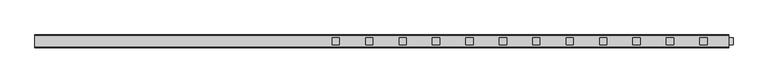
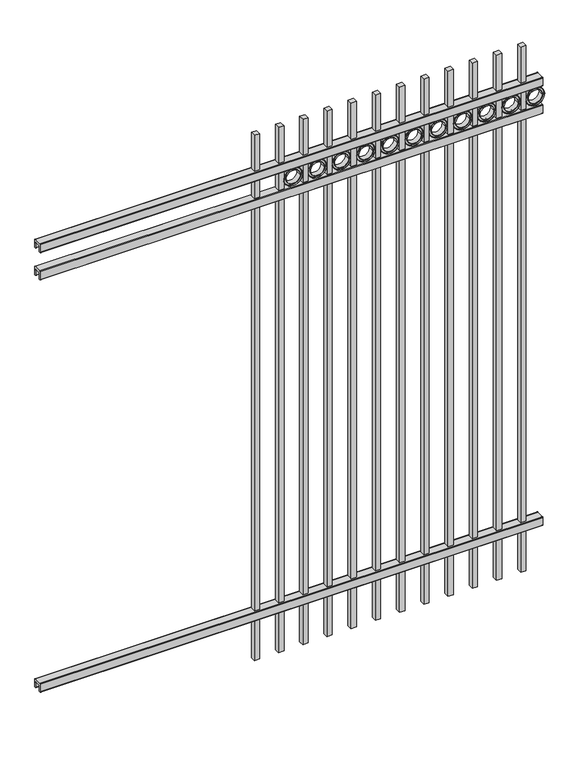
"""IFC4 building model written with IfcOpenShell, lengths in millimetres: railing geometry."""

from ifc_helpers import new_model, si_unit, point, frame, frame_2d, origin, place, context, project, spatial, polyline, circle_curve, trimmed, segment, composite_curve, outline, extrude, source, transform, mapped, element, save


def railing_52d2f34b(model_context):
    return source(origin(), model_context, "Body", "SweptSolid", [
        extrude(outline(composite_curve([segment(polyline([(5777.9139761, 304.8), (5815.969541, 304.8)]), True, "CONTINUOUS"), segment(trimmed(circle_curve(frame_2d((5815.969541, 301.625)), 3.175), [point((5815.969541, 304.8))], [point((5819.144541, 301.625))], False, "CARTESIAN"), True, "CONTINUOUS"), segment(polyline([(5819.144541, 301.625), (5819.144541, 262.1439893)]), True, "CONTINUOUS"), segment(trimmed(circle_curve(frame_2d((5817.3505518, 262.1439893)), 1.7939893), [point((5819.144541, 262.1439893))], [point((5817.3505518, 260.35))], False, "CARTESIAN"), True, "CONTINUOUS"), segment(polyline([(5817.3505518, 260.35), (5814.7590713, 260.35)]), True, "CONTINUOUS"), segment(trimmed(circle_curve(frame_2d((5814.7590713, 262.1359375)), 1.7859375), [point((5814.7590713, 260.35))], [point((5812.9755813, 262.0424688))], False, "CARTESIAN"), True, "CONTINUOUS"), segment(polyline([(5812.9755813, 262.0424688), (5811.4025867, 292.0569942), (5782.4364954, 292.0569942), (5780.8635007, 262.0424688)]), True, "CONTINUOUS"), segment(trimmed(circle_curve(frame_2d((5779.0800108, 262.1359375)), 1.7859375), [point((5780.8635007, 262.0424688))], [point((5779.0800108, 260.35))], False, "CARTESIAN"), True, "CONTINUOUS"), segment(polyline([(5779.0800108, 260.35), (5776.4804785, 260.35)]), True, "CONTINUOUS"), segment(trimmed(circle_curve(frame_2d((5776.4804785, 262.1359375)), 1.7859375), [point((5776.4804785, 260.35))], [point((5774.694541, 262.1359375))], False, "CARTESIAN"), True, "CONTINUOUS"), segment(polyline([(5774.694541, 262.1359375), (5774.694541, 301.5805649)]), True, "CONTINUOUS"), segment(trimmed(circle_curve(frame_2d((5777.9139761, 301.5805649)), 3.2194351), [point((5774.694541, 301.5805649))], [point((5777.9139761, 304.8))], False, "CARTESIAN"), True, "CONTINUOUS")], self_intersect=False)), frame((11485.3350064, 0.0, 0.0), z_axis=(1.0, 0.0, 0.0), x_axis=(0.0, 1.0, 0.0)), (0.0, 0.0, 1.0), 2438.4),
        extrude(outline(composite_curve([segment(polyline([(5777.9139761, 2417.7625), (5815.969541, 2417.7625)]), True, "CONTINUOUS"), segment(trimmed(circle_curve(frame_2d((5815.969541, 2414.5875)), 3.175), [point((5815.969541, 2417.7625))], [point((5819.144541, 2414.5875))], False, "CARTESIAN"), True, "CONTINUOUS"), segment(polyline([(5819.144541, 2414.5875), (5819.144541, 2375.1064893)]), True, "CONTINUOUS"), segment(trimmed(circle_curve(frame_2d((5817.3505518, 2375.1064893)), 1.7939893), [point((5819.144541, 2375.1064893))], [point((5817.3505518, 2373.3125))], False, "CARTESIAN"), True, "CONTINUOUS"), segment(polyline([(5817.3505518, 2373.3125), (5814.7590713, 2373.3125)]), True, "CONTINUOUS"), segment(trimmed(circle_curve(frame_2d((5814.7590713, 2375.0984375)), 1.7859375), [point((5814.7590713, 2373.3125))], [point((5812.9755813, 2375.0049688))], False, "CARTESIAN"), True, "CONTINUOUS"), segment(polyline([(5812.9755813, 2375.0049688), (5811.4025867, 2405.0194942), (5782.4364954, 2405.0194942), (5780.8635007, 2375.0049688)]), True, "CONTINUOUS"), segment(trimmed(circle_curve(frame_2d((5779.0800108, 2375.0984375)), 1.7859375), [point((5780.8635007, 2375.0049688))], [point((5779.0800108, 2373.3125))], False, "CARTESIAN"), True, "CONTINUOUS"), segment(polyline([(5779.0800108, 2373.3125), (5776.4804785, 2373.3125)]), True, "CONTINUOUS"), segment(trimmed(circle_curve(frame_2d((5776.4804785, 2375.0984375)), 1.7859375), [point((5776.4804785, 2373.3125))], [point((5774.694541, 2375.0984375))], False, "CARTESIAN"), True, "CONTINUOUS"), segment(polyline([(5774.694541, 2375.0984375), (5774.694541, 2414.5430649)]), True, "CONTINUOUS"), segment(trimmed(circle_curve(frame_2d((5777.9139761, 2414.5430649)), 3.2194351), [point((5774.694541, 2414.5430649))], [point((5777.9139761, 2417.7625))], False, "CARTESIAN"), True, "CONTINUOUS")], self_intersect=False)), frame((11485.3350064, 0.0, 0.0), z_axis=(1.0, 0.0, 0.0), x_axis=(0.0, 1.0, 0.0)), (0.0, 0.0, 1.0), 2438.4),
        extrude(outline(composite_curve([segment(polyline([(5777.9139761, 2557.4625), (5815.969541, 2557.4625)]), True, "CONTINUOUS"), segment(trimmed(circle_curve(frame_2d((5815.969541, 2554.2875)), 3.175), [point((5815.969541, 2557.4625))], [point((5819.144541, 2554.2875))], False, "CARTESIAN"), True, "CONTINUOUS"), segment(polyline([(5819.144541, 2554.2875), (5819.144541, 2514.8064893)]), True, "CONTINUOUS"), segment(trimmed(circle_curve(frame_2d((5817.3505518, 2514.8064893)), 1.7939893), [point((5819.144541, 2514.8064893))], [point((5817.3505518, 2513.0125))], False, "CARTESIAN"), True, "CONTINUOUS"), segment(polyline([(5817.3505518, 2513.0125), (5814.7590713, 2513.0125)]), True, "CONTINUOUS"), segment(trimmed(circle_curve(frame_2d((5814.7590713, 2514.7984375)), 1.7859375), [point((5814.7590713, 2513.0125))], [point((5812.9755813, 2514.7049688))], False, "CARTESIAN"), True, "CONTINUOUS"), segment(polyline([(5812.9755813, 2514.7049688), (5811.4025867, 2544.7194942), (5782.4364954, 2544.7194942), (5780.8635007, 2514.7049688)]), True, "CONTINUOUS"), segment(trimmed(circle_curve(frame_2d((5779.0800108, 2514.7984375)), 1.7859375), [point((5780.8635007, 2514.7049688))], [point((5779.0800108, 2513.0125))], False, "CARTESIAN"), True, "CONTINUOUS"), segment(polyline([(5779.0800108, 2513.0125), (5776.4804785, 2513.0125)]), True, "CONTINUOUS"), segment(trimmed(circle_curve(frame_2d((5776.4804785, 2514.7984375)), 1.7859375), [point((5776.4804785, 2513.0125))], [point((5774.694541, 2514.7984375))], False, "CARTESIAN"), True, "CONTINUOUS"), segment(polyline([(5774.694541, 2514.7984375), (5774.694541, 2554.2430649)]), True, "CONTINUOUS"), segment(trimmed(circle_curve(frame_2d((5777.9139761, 2554.2430649)), 3.2194351), [point((5774.694541, 2554.2430649))], [point((5777.9139761, 2557.4625))], False, "CARTESIAN"), True, "CONTINUOUS")], self_intersect=False)), frame((11485.3350064, 0.0, 0.0), z_axis=(1.0, 0.0, 0.0), x_axis=(0.0, 1.0, 0.0)), (0.0, 0.0, 1.0), 2438.4),
        extrude(outline(polyline([(13822.1350064, 5809.619541), (13847.5350064, 5809.619541), (13847.5350064, 5784.219541), (13822.1350064, 5784.219541), (13822.1350064, 5809.619541)])), frame((0.0, 0.0, 50.8), z_axis=(0.0, 0.0, 1.0), x_axis=(1.0, 0.0, 0.0)), (0.0, 0.0, 1.0), 2692.4),
        extrude(outline(composite_curve([segment(trimmed(circle_curve(frame_2d((2464.6040076, 13893.2338655)), 45.6988591), [point((2464.6040076, 13938.9327246))], [point((2464.6040076, 13847.5350064))], False, "CARTESIAN"), True, "CONTINUOUS"), segment(trimmed(circle_curve(frame_2d((2464.6040076, 13893.2338655)), 45.6988591), [point((2464.6040076, 13847.5350064))], [point((2464.6040076, 13938.9327246))], False, "CARTESIAN"), True, "CONTINUOUS")], self_intersect=False), holes=[composite_curve([segment(trimmed(circle_curve(frame_2d((2464.6040076, 13893.2338655)), 44.101539), [point((2464.6040076, 13937.3354045))], [point((2464.6040076, 13849.1323265))], True, "CARTESIAN"), True, "CONTINUOUS"), segment(trimmed(circle_curve(frame_2d((2464.6040076, 13893.2338655)), 44.101539), [point((2464.6040076, 13849.1323265))], [point((2464.6040076, 13937.3354045))], True, "CARTESIAN"), True, "CONTINUOUS")], self_intersect=False)]), frame((0.0, 5784.219541, 0.0), z_axis=(0.0, 1.0, 0.0), x_axis=(0.0, 0.0, 1.0)), (0.0, 0.0, 1.0), 25.4),
        extrude(outline(composite_curve([segment(trimmed(circle_curve(frame_2d((2464.6040076, 13893.2338655)), 34.6370762), [point((2464.6040076, 13927.8709417))], [point((2464.6040076, 13858.5967893))], False, "CARTESIAN"), True, "CONTINUOUS"), segment(trimmed(circle_curve(frame_2d((2464.6040076, 13893.2338655)), 34.6370762), [point((2464.6040076, 13858.5967893))], [point((2464.6040076, 13927.8709417))], False, "CARTESIAN"), True, "CONTINUOUS")], self_intersect=False), holes=[composite_curve([segment(trimmed(circle_curve(frame_2d((2464.6040076, 13893.2338655)), 33.0443887), [point((2464.6040076, 13926.2782542))], [point((2464.6040076, 13860.1894768))], True, "CARTESIAN"), True, "CONTINUOUS"), segment(trimmed(circle_curve(frame_2d((2464.6040076, 13893.2338655)), 33.0443887), [point((2464.6040076, 13860.1894768))], [point((2464.6040076, 13926.2782542))], True, "CARTESIAN"), True, "CONTINUOUS")], self_intersect=False)]), frame((0.0, 5784.219541, 0.0), z_axis=(0.0, 1.0, 0.0), x_axis=(0.0, 0.0, 1.0)), (0.0, 0.0, 1.0), 25.4),
        extrude(outline(composite_curve([segment(trimmed(circle_curve(frame_2d((2464.6040076, 13893.2338655)), 45.6988591), [point((2464.6040076, 13938.9327246))], [point((2464.6040076, 13847.5350064))], False, "CARTESIAN"), True, "CONTINUOUS"), segment(trimmed(circle_curve(frame_2d((2464.6040076, 13893.2338655)), 45.6988591), [point((2464.6040076, 13847.5350064))], [point((2464.6040076, 13938.9327246))], False, "CARTESIAN"), True, "CONTINUOUS")], self_intersect=False), holes=[composite_curve([segment(trimmed(circle_curve(frame_2d((2464.6040076, 13893.2338655)), 33.0443887), [point((2464.6040076, 13926.2782542))], [point((2464.6040076, 13860.1894768))], True, "CARTESIAN"), True, "CONTINUOUS"), segment(trimmed(circle_curve(frame_2d((2464.6040076, 13893.2338655)), 33.0443887), [point((2464.6040076, 13860.1894768))], [point((2464.6040076, 13926.2782542))], True, "CARTESIAN"), True, "CONTINUOUS")], self_intersect=False)]), frame((0.0, 5790.569541, 0.0), z_axis=(0.0, 1.0, 0.0), x_axis=(0.0, 0.0, 1.0)), (0.0, 0.0, 1.0), 12.7),
        extrude(outline(polyline([(13704.6600064, 5809.619541), (13730.0600064, 5809.619541), (13730.0600064, 5784.219541), (13704.6600064, 5784.219541), (13704.6600064, 5809.619541)])), frame((0.0, 0.0, 50.8), z_axis=(0.0, 0.0, 1.0), x_axis=(1.0, 0.0, 0.0)), (0.0, 0.0, 1.0), 2692.4),
        extrude(outline(composite_curve([segment(trimmed(circle_curve(frame_2d((2464.6040076, 13775.7588655)), 45.6988591), [point((2464.6040076, 13821.4577246))], [point((2464.6040076, 13730.0600064))], False, "CARTESIAN"), True, "CONTINUOUS"), segment(trimmed(circle_curve(frame_2d((2464.6040076, 13775.7588655)), 45.6988591), [point((2464.6040076, 13730.0600064))], [point((2464.6040076, 13821.4577246))], False, "CARTESIAN"), True, "CONTINUOUS")], self_intersect=False), holes=[composite_curve([segment(trimmed(circle_curve(frame_2d((2464.6040076, 13775.7588655)), 44.101539), [point((2464.6040076, 13819.8604045))], [point((2464.6040076, 13731.6573265))], True, "CARTESIAN"), True, "CONTINUOUS"), segment(trimmed(circle_curve(frame_2d((2464.6040076, 13775.7588655)), 44.101539), [point((2464.6040076, 13731.6573265))], [point((2464.6040076, 13819.8604045))], True, "CARTESIAN"), True, "CONTINUOUS")], self_intersect=False)]), frame((0.0, 5784.219541, 0.0), z_axis=(0.0, 1.0, 0.0), x_axis=(0.0, 0.0, 1.0)), (0.0, 0.0, 1.0), 25.4),
        extrude(outline(composite_curve([segment(trimmed(circle_curve(frame_2d((2464.6040076, 13775.7588655)), 34.6370762), [point((2464.6040076, 13810.3959417))], [point((2464.6040076, 13741.1217893))], False, "CARTESIAN"), True, "CONTINUOUS"), segment(trimmed(circle_curve(frame_2d((2464.6040076, 13775.7588655)), 34.6370762), [point((2464.6040076, 13741.1217893))], [point((2464.6040076, 13810.3959417))], False, "CARTESIAN"), True, "CONTINUOUS")], self_intersect=False), holes=[composite_curve([segment(trimmed(circle_curve(frame_2d((2464.6040076, 13775.7588655)), 33.0443887), [point((2464.6040076, 13808.8032542))], [point((2464.6040076, 13742.7144768))], True, "CARTESIAN"), True, "CONTINUOUS"), segment(trimmed(circle_curve(frame_2d((2464.6040076, 13775.7588655)), 33.0443887), [point((2464.6040076, 13742.7144768))], [point((2464.6040076, 13808.8032542))], True, "CARTESIAN"), True, "CONTINUOUS")], self_intersect=False)]), frame((0.0, 5784.219541, 0.0), z_axis=(0.0, 1.0, 0.0), x_axis=(0.0, 0.0, 1.0)), (0.0, 0.0, 1.0), 25.4),
        extrude(outline(composite_curve([segment(trimmed(circle_curve(frame_2d((2464.6040076, 13775.7588655)), 45.6988591), [point((2464.6040076, 13821.4577246))], [point((2464.6040076, 13730.0600064))], False, "CARTESIAN"), True, "CONTINUOUS"), segment(trimmed(circle_curve(frame_2d((2464.6040076, 13775.7588655)), 45.6988591), [point((2464.6040076, 13730.0600064))], [point((2464.6040076, 13821.4577246))], False, "CARTESIAN"), True, "CONTINUOUS")], self_intersect=False), holes=[composite_curve([segment(trimmed(circle_curve(frame_2d((2464.6040076, 13775.7588655)), 33.0443887), [point((2464.6040076, 13808.8032542))], [point((2464.6040076, 13742.7144768))], True, "CARTESIAN"), True, "CONTINUOUS"), segment(trimmed(circle_curve(frame_2d((2464.6040076, 13775.7588655)), 33.0443887), [point((2464.6040076, 13742.7144768))], [point((2464.6040076, 13808.8032542))], True, "CARTESIAN"), True, "CONTINUOUS")], self_intersect=False)]), frame((0.0, 5790.569541, 0.0), z_axis=(0.0, 1.0, 0.0), x_axis=(0.0, 0.0, 1.0)), (0.0, 0.0, 1.0), 12.7),
        extrude(outline(polyline([(13587.1850064, 5809.619541), (13612.5850064, 5809.619541), (13612.5850064, 5784.219541), (13587.1850064, 5784.219541), (13587.1850064, 5809.619541)])), frame((0.0, 0.0, 50.8), z_axis=(0.0, 0.0, 1.0), x_axis=(1.0, 0.0, 0.0)), (0.0, 0.0, 1.0), 2692.4),
        extrude(outline(composite_curve([segment(trimmed(circle_curve(frame_2d((2464.6040076, 13658.2838655)), 45.6988591), [point((2464.6040076, 13703.9827246))], [point((2464.6040076, 13612.5850064))], False, "CARTESIAN"), True, "CONTINUOUS"), segment(trimmed(circle_curve(frame_2d((2464.6040076, 13658.2838655)), 45.6988591), [point((2464.6040076, 13612.5850064))], [point((2464.6040076, 13703.9827246))], False, "CARTESIAN"), True, "CONTINUOUS")], self_intersect=False), holes=[composite_curve([segment(trimmed(circle_curve(frame_2d((2464.6040076, 13658.2838655)), 44.101539), [point((2464.6040076, 13702.3854045))], [point((2464.6040076, 13614.1823265))], True, "CARTESIAN"), True, "CONTINUOUS"), segment(trimmed(circle_curve(frame_2d((2464.6040076, 13658.2838655)), 44.101539), [point((2464.6040076, 13614.1823265))], [point((2464.6040076, 13702.3854045))], True, "CARTESIAN"), True, "CONTINUOUS")], self_intersect=False)]), frame((0.0, 5784.219541, 0.0), z_axis=(0.0, 1.0, 0.0), x_axis=(0.0, 0.0, 1.0)), (0.0, 0.0, 1.0), 25.4),
        extrude(outline(composite_curve([segment(trimmed(circle_curve(frame_2d((2464.6040076, 13658.2838655)), 34.6370762), [point((2464.6040076, 13692.9209417))], [point((2464.6040076, 13623.6467893))], False, "CARTESIAN"), True, "CONTINUOUS"), segment(trimmed(circle_curve(frame_2d((2464.6040076, 13658.2838655)), 34.6370762), [point((2464.6040076, 13623.6467893))], [point((2464.6040076, 13692.9209417))], False, "CARTESIAN"), True, "CONTINUOUS")], self_intersect=False), holes=[composite_curve([segment(trimmed(circle_curve(frame_2d((2464.6040076, 13658.2838655)), 33.0443887), [point((2464.6040076, 13691.3282542))], [point((2464.6040076, 13625.2394768))], True, "CARTESIAN"), True, "CONTINUOUS"), segment(trimmed(circle_curve(frame_2d((2464.6040076, 13658.2838655)), 33.0443887), [point((2464.6040076, 13625.2394768))], [point((2464.6040076, 13691.3282542))], True, "CARTESIAN"), True, "CONTINUOUS")], self_intersect=False)]), frame((0.0, 5784.219541, 0.0), z_axis=(0.0, 1.0, 0.0), x_axis=(0.0, 0.0, 1.0)), (0.0, 0.0, 1.0), 25.4),
        extrude(outline(composite_curve([segment(trimmed(circle_curve(frame_2d((2464.6040076, 13658.2838655)), 45.6988591), [point((2464.6040076, 13703.9827246))], [point((2464.6040076, 13612.5850064))], False, "CARTESIAN"), True, "CONTINUOUS"), segment(trimmed(circle_curve(frame_2d((2464.6040076, 13658.2838655)), 45.6988591), [point((2464.6040076, 13612.5850064))], [point((2464.6040076, 13703.9827246))], False, "CARTESIAN"), True, "CONTINUOUS")], self_intersect=False), holes=[composite_curve([segment(trimmed(circle_curve(frame_2d((2464.6040076, 13658.2838655)), 33.0443887), [point((2464.6040076, 13691.3282542))], [point((2464.6040076, 13625.2394768))], True, "CARTESIAN"), True, "CONTINUOUS"), segment(trimmed(circle_curve(frame_2d((2464.6040076, 13658.2838655)), 33.0443887), [point((2464.6040076, 13625.2394768))], [point((2464.6040076, 13691.3282542))], True, "CARTESIAN"), True, "CONTINUOUS")], self_intersect=False)]), frame((0.0, 5790.569541, 0.0), z_axis=(0.0, 1.0, 0.0), x_axis=(0.0, 0.0, 1.0)), (0.0, 0.0, 1.0), 12.7),
        extrude(outline(polyline([(13469.7100064, 5809.619541), (13495.1100064, 5809.619541), (13495.1100064, 5784.219541), (13469.7100064, 5784.219541), (13469.7100064, 5809.619541)])), frame((0.0, 0.0, 50.8), z_axis=(0.0, 0.0, 1.0), x_axis=(1.0, 0.0, 0.0)), (0.0, 0.0, 1.0), 2692.4),
        extrude(outline(composite_curve([segment(trimmed(circle_curve(frame_2d((2464.6040076, 13540.8088655)), 45.6988591), [point((2464.6040076, 13586.5077246))], [point((2464.6040076, 13495.1100064))], False, "CARTESIAN"), True, "CONTINUOUS"), segment(trimmed(circle_curve(frame_2d((2464.6040076, 13540.8088655)), 45.6988591), [point((2464.6040076, 13495.1100064))], [point((2464.6040076, 13586.5077246))], False, "CARTESIAN"), True, "CONTINUOUS")], self_intersect=False), holes=[composite_curve([segment(trimmed(circle_curve(frame_2d((2464.6040076, 13540.8088655)), 44.101539), [point((2464.6040076, 13584.9104045))], [point((2464.6040076, 13496.7073265))], True, "CARTESIAN"), True, "CONTINUOUS"), segment(trimmed(circle_curve(frame_2d((2464.6040076, 13540.8088655)), 44.101539), [point((2464.6040076, 13496.7073265))], [point((2464.6040076, 13584.9104045))], True, "CARTESIAN"), True, "CONTINUOUS")], self_intersect=False)]), frame((0.0, 5784.219541, 0.0), z_axis=(0.0, 1.0, 0.0), x_axis=(0.0, 0.0, 1.0)), (0.0, 0.0, 1.0), 25.4),
        extrude(outline(composite_curve([segment(trimmed(circle_curve(frame_2d((2464.6040076, 13540.8088655)), 34.6370762), [point((2464.6040076, 13575.4459417))], [point((2464.6040076, 13506.1717893))], False, "CARTESIAN"), True, "CONTINUOUS"), segment(trimmed(circle_curve(frame_2d((2464.6040076, 13540.8088655)), 34.6370762), [point((2464.6040076, 13506.1717893))], [point((2464.6040076, 13575.4459417))], False, "CARTESIAN"), True, "CONTINUOUS")], self_intersect=False), holes=[composite_curve([segment(trimmed(circle_curve(frame_2d((2464.6040076, 13540.8088655)), 33.0443887), [point((2464.6040076, 13573.8532542))], [point((2464.6040076, 13507.7644768))], True, "CARTESIAN"), True, "CONTINUOUS"), segment(trimmed(circle_curve(frame_2d((2464.6040076, 13540.8088655)), 33.0443887), [point((2464.6040076, 13507.7644768))], [point((2464.6040076, 13573.8532542))], True, "CARTESIAN"), True, "CONTINUOUS")], self_intersect=False)]), frame((0.0, 5784.219541, 0.0), z_axis=(0.0, 1.0, 0.0), x_axis=(0.0, 0.0, 1.0)), (0.0, 0.0, 1.0), 25.4),
        extrude(outline(composite_curve([segment(trimmed(circle_curve(frame_2d((2464.6040076, 13540.8088655)), 45.6988591), [point((2464.6040076, 13586.5077246))], [point((2464.6040076, 13495.1100064))], False, "CARTESIAN"), True, "CONTINUOUS"), segment(trimmed(circle_curve(frame_2d((2464.6040076, 13540.8088655)), 45.6988591), [point((2464.6040076, 13495.1100064))], [point((2464.6040076, 13586.5077246))], False, "CARTESIAN"), True, "CONTINUOUS")], self_intersect=False), holes=[composite_curve([segment(trimmed(circle_curve(frame_2d((2464.6040076, 13540.8088655)), 33.0443887), [point((2464.6040076, 13573.8532542))], [point((2464.6040076, 13507.7644768))], True, "CARTESIAN"), True, "CONTINUOUS"), segment(trimmed(circle_curve(frame_2d((2464.6040076, 13540.8088655)), 33.0443887), [point((2464.6040076, 13507.7644768))], [point((2464.6040076, 13573.8532542))], True, "CARTESIAN"), True, "CONTINUOUS")], self_intersect=False)]), frame((0.0, 5790.569541, 0.0), z_axis=(0.0, 1.0, 0.0), x_axis=(0.0, 0.0, 1.0)), (0.0, 0.0, 1.0), 12.7),
        extrude(outline(polyline([(13352.2350064, 5809.619541), (13377.6350064, 5809.619541), (13377.6350064, 5784.219541), (13352.2350064, 5784.219541), (13352.2350064, 5809.619541)])), frame((0.0, 0.0, 50.8), z_axis=(0.0, 0.0, 1.0), x_axis=(1.0, 0.0, 0.0)), (0.0, 0.0, 1.0), 2692.4),
        extrude(outline(composite_curve([segment(trimmed(circle_curve(frame_2d((2464.6040076, 13423.3338655)), 45.6988591), [point((2464.6040076, 13469.0327246))], [point((2464.6040076, 13377.6350064))], False, "CARTESIAN"), True, "CONTINUOUS"), segment(trimmed(circle_curve(frame_2d((2464.6040076, 13423.3338655)), 45.6988591), [point((2464.6040076, 13377.6350064))], [point((2464.6040076, 13469.0327246))], False, "CARTESIAN"), True, "CONTINUOUS")], self_intersect=False), holes=[composite_curve([segment(trimmed(circle_curve(frame_2d((2464.6040076, 13423.3338655)), 44.101539), [point((2464.6040076, 13467.4354045))], [point((2464.6040076, 13379.2323265))], True, "CARTESIAN"), True, "CONTINUOUS"), segment(trimmed(circle_curve(frame_2d((2464.6040076, 13423.3338655)), 44.101539), [point((2464.6040076, 13379.2323265))], [point((2464.6040076, 13467.4354045))], True, "CARTESIAN"), True, "CONTINUOUS")], self_intersect=False)]), frame((0.0, 5784.219541, 0.0), z_axis=(0.0, 1.0, 0.0), x_axis=(0.0, 0.0, 1.0)), (0.0, 0.0, 1.0), 25.4),
        extrude(outline(composite_curve([segment(trimmed(circle_curve(frame_2d((2464.6040076, 13423.3338655)), 34.6370762), [point((2464.6040076, 13457.9709417))], [point((2464.6040076, 13388.6967893))], False, "CARTESIAN"), True, "CONTINUOUS"), segment(trimmed(circle_curve(frame_2d((2464.6040076, 13423.3338655)), 34.6370762), [point((2464.6040076, 13388.6967893))], [point((2464.6040076, 13457.9709417))], False, "CARTESIAN"), True, "CONTINUOUS")], self_intersect=False), holes=[composite_curve([segment(trimmed(circle_curve(frame_2d((2464.6040076, 13423.3338655)), 33.0443887), [point((2464.6040076, 13456.3782542))], [point((2464.6040076, 13390.2894768))], True, "CARTESIAN"), True, "CONTINUOUS"), segment(trimmed(circle_curve(frame_2d((2464.6040076, 13423.3338655)), 33.0443887), [point((2464.6040076, 13390.2894768))], [point((2464.6040076, 13456.3782542))], True, "CARTESIAN"), True, "CONTINUOUS")], self_intersect=False)]), frame((0.0, 5784.219541, 0.0), z_axis=(0.0, 1.0, 0.0), x_axis=(0.0, 0.0, 1.0)), (0.0, 0.0, 1.0), 25.4),
        extrude(outline(composite_curve([segment(trimmed(circle_curve(frame_2d((2464.6040076, 13423.3338655)), 45.6988591), [point((2464.6040076, 13469.0327246))], [point((2464.6040076, 13377.6350064))], False, "CARTESIAN"), True, "CONTINUOUS"), segment(trimmed(circle_curve(frame_2d((2464.6040076, 13423.3338655)), 45.6988591), [point((2464.6040076, 13377.6350064))], [point((2464.6040076, 13469.0327246))], False, "CARTESIAN"), True, "CONTINUOUS")], self_intersect=False), holes=[composite_curve([segment(trimmed(circle_curve(frame_2d((2464.6040076, 13423.3338655)), 33.0443887), [point((2464.6040076, 13456.3782542))], [point((2464.6040076, 13390.2894768))], True, "CARTESIAN"), True, "CONTINUOUS"), segment(trimmed(circle_curve(frame_2d((2464.6040076, 13423.3338655)), 33.0443887), [point((2464.6040076, 13390.2894768))], [point((2464.6040076, 13456.3782542))], True, "CARTESIAN"), True, "CONTINUOUS")], self_intersect=False)]), frame((0.0, 5790.569541, 0.0), z_axis=(0.0, 1.0, 0.0), x_axis=(0.0, 0.0, 1.0)), (0.0, 0.0, 1.0), 12.7),
        extrude(outline(polyline([(13234.7600064, 5809.619541), (13260.1600064, 5809.619541), (13260.1600064, 5784.219541), (13234.7600064, 5784.219541), (13234.7600064, 5809.619541)])), frame((0.0, 0.0, 50.8), z_axis=(0.0, 0.0, 1.0), x_axis=(1.0, 0.0, 0.0)), (0.0, 0.0, 1.0), 2692.4),
        extrude(outline(composite_curve([segment(trimmed(circle_curve(frame_2d((2464.6040076, 13305.8588655)), 45.6988591), [point((2464.6040076, 13351.5577246))], [point((2464.6040076, 13260.1600064))], False, "CARTESIAN"), True, "CONTINUOUS"), segment(trimmed(circle_curve(frame_2d((2464.6040076, 13305.8588655)), 45.6988591), [point((2464.6040076, 13260.1600064))], [point((2464.6040076, 13351.5577246))], False, "CARTESIAN"), True, "CONTINUOUS")], self_intersect=False), holes=[composite_curve([segment(trimmed(circle_curve(frame_2d((2464.6040076, 13305.8588655)), 44.101539), [point((2464.6040076, 13349.9604045))], [point((2464.6040076, 13261.7573265))], True, "CARTESIAN"), True, "CONTINUOUS"), segment(trimmed(circle_curve(frame_2d((2464.6040076, 13305.8588655)), 44.101539), [point((2464.6040076, 13261.7573265))], [point((2464.6040076, 13349.9604045))], True, "CARTESIAN"), True, "CONTINUOUS")], self_intersect=False)]), frame((0.0, 5784.219541, 0.0), z_axis=(0.0, 1.0, 0.0), x_axis=(0.0, 0.0, 1.0)), (0.0, 0.0, 1.0), 25.4),
        extrude(outline(composite_curve([segment(trimmed(circle_curve(frame_2d((2464.6040076, 13305.8588655)), 34.6370762), [point((2464.6040076, 13340.4959417))], [point((2464.6040076, 13271.2217893))], False, "CARTESIAN"), True, "CONTINUOUS"), segment(trimmed(circle_curve(frame_2d((2464.6040076, 13305.8588655)), 34.6370762), [point((2464.6040076, 13271.2217893))], [point((2464.6040076, 13340.4959417))], False, "CARTESIAN"), True, "CONTINUOUS")], self_intersect=False), holes=[composite_curve([segment(trimmed(circle_curve(frame_2d((2464.6040076, 13305.8588655)), 33.0443887), [point((2464.6040076, 13338.9032542))], [point((2464.6040076, 13272.8144768))], True, "CARTESIAN"), True, "CONTINUOUS"), segment(trimmed(circle_curve(frame_2d((2464.6040076, 13305.8588655)), 33.0443887), [point((2464.6040076, 13272.8144768))], [point((2464.6040076, 13338.9032542))], True, "CARTESIAN"), True, "CONTINUOUS")], self_intersect=False)]), frame((0.0, 5784.219541, 0.0), z_axis=(0.0, 1.0, 0.0), x_axis=(0.0, 0.0, 1.0)), (0.0, 0.0, 1.0), 25.4),
        extrude(outline(composite_curve([segment(trimmed(circle_curve(frame_2d((2464.6040076, 13305.8588655)), 45.6988591), [point((2464.6040076, 13351.5577246))], [point((2464.6040076, 13260.1600064))], False, "CARTESIAN"), True, "CONTINUOUS"), segment(trimmed(circle_curve(frame_2d((2464.6040076, 13305.8588655)), 45.6988591), [point((2464.6040076, 13260.1600064))], [point((2464.6040076, 13351.5577246))], False, "CARTESIAN"), True, "CONTINUOUS")], self_intersect=False), holes=[composite_curve([segment(trimmed(circle_curve(frame_2d((2464.6040076, 13305.8588655)), 33.0443887), [point((2464.6040076, 13338.9032542))], [point((2464.6040076, 13272.8144768))], True, "CARTESIAN"), True, "CONTINUOUS"), segment(trimmed(circle_curve(frame_2d((2464.6040076, 13305.8588655)), 33.0443887), [point((2464.6040076, 13272.8144768))], [point((2464.6040076, 13338.9032542))], True, "CARTESIAN"), True, "CONTINUOUS")], self_intersect=False)]), frame((0.0, 5790.569541, 0.0), z_axis=(0.0, 1.0, 0.0), x_axis=(0.0, 0.0, 1.0)), (0.0, 0.0, 1.0), 12.7),
        extrude(outline(polyline([(13117.2850064, 5809.619541), (13142.6850064, 5809.619541), (13142.6850064, 5784.219541), (13117.2850064, 5784.219541), (13117.2850064, 5809.619541)])), frame((0.0, 0.0, 50.8), z_axis=(0.0, 0.0, 1.0), x_axis=(1.0, 0.0, 0.0)), (0.0, 0.0, 1.0), 2692.4),
        extrude(outline(composite_curve([segment(trimmed(circle_curve(frame_2d((2464.6040076, 13188.3838655)), 45.6988591), [point((2464.6040076, 13234.0827246))], [point((2464.6040076, 13142.6850064))], False, "CARTESIAN"), True, "CONTINUOUS"), segment(trimmed(circle_curve(frame_2d((2464.6040076, 13188.3838655)), 45.6988591), [point((2464.6040076, 13142.6850064))], [point((2464.6040076, 13234.0827246))], False, "CARTESIAN"), True, "CONTINUOUS")], self_intersect=False), holes=[composite_curve([segment(trimmed(circle_curve(frame_2d((2464.6040076, 13188.3838655)), 44.101539), [point((2464.6040076, 13232.4854045))], [point((2464.6040076, 13144.2823265))], True, "CARTESIAN"), True, "CONTINUOUS"), segment(trimmed(circle_curve(frame_2d((2464.6040076, 13188.3838655)), 44.101539), [point((2464.6040076, 13144.2823265))], [point((2464.6040076, 13232.4854045))], True, "CARTESIAN"), True, "CONTINUOUS")], self_intersect=False)]), frame((0.0, 5784.219541, 0.0), z_axis=(0.0, 1.0, 0.0), x_axis=(0.0, 0.0, 1.0)), (0.0, 0.0, 1.0), 25.4),
        extrude(outline(composite_curve([segment(trimmed(circle_curve(frame_2d((2464.6040076, 13188.3838655)), 34.6370762), [point((2464.6040076, 13223.0209417))], [point((2464.6040076, 13153.7467893))], False, "CARTESIAN"), True, "CONTINUOUS"), segment(trimmed(circle_curve(frame_2d((2464.6040076, 13188.3838655)), 34.6370762), [point((2464.6040076, 13153.7467893))], [point((2464.6040076, 13223.0209417))], False, "CARTESIAN"), True, "CONTINUOUS")], self_intersect=False), holes=[composite_curve([segment(trimmed(circle_curve(frame_2d((2464.6040076, 13188.3838655)), 33.0443887), [point((2464.6040076, 13221.4282542))], [point((2464.6040076, 13155.3394768))], True, "CARTESIAN"), True, "CONTINUOUS"), segment(trimmed(circle_curve(frame_2d((2464.6040076, 13188.3838655)), 33.0443887), [point((2464.6040076, 13155.3394768))], [point((2464.6040076, 13221.4282542))], True, "CARTESIAN"), True, "CONTINUOUS")], self_intersect=False)]), frame((0.0, 5784.219541, 0.0), z_axis=(0.0, 1.0, 0.0), x_axis=(0.0, 0.0, 1.0)), (0.0, 0.0, 1.0), 25.4),
        extrude(outline(composite_curve([segment(trimmed(circle_curve(frame_2d((2464.6040076, 13188.3838655)), 45.6988591), [point((2464.6040076, 13234.0827246))], [point((2464.6040076, 13142.6850064))], False, "CARTESIAN"), True, "CONTINUOUS"), segment(trimmed(circle_curve(frame_2d((2464.6040076, 13188.3838655)), 45.6988591), [point((2464.6040076, 13142.6850064))], [point((2464.6040076, 13234.0827246))], False, "CARTESIAN"), True, "CONTINUOUS")], self_intersect=False), holes=[composite_curve([segment(trimmed(circle_curve(frame_2d((2464.6040076, 13188.3838655)), 33.0443887), [point((2464.6040076, 13221.4282542))], [point((2464.6040076, 13155.3394768))], True, "CARTESIAN"), True, "CONTINUOUS"), segment(trimmed(circle_curve(frame_2d((2464.6040076, 13188.3838655)), 33.0443887), [point((2464.6040076, 13155.3394768))], [point((2464.6040076, 13221.4282542))], True, "CARTESIAN"), True, "CONTINUOUS")], self_intersect=False)]), frame((0.0, 5790.569541, 0.0), z_axis=(0.0, 1.0, 0.0), x_axis=(0.0, 0.0, 1.0)), (0.0, 0.0, 1.0), 12.7),
        extrude(outline(polyline([(12999.8100064, 5809.619541), (13025.2100064, 5809.619541), (13025.2100064, 5784.219541), (12999.8100064, 5784.219541), (12999.8100064, 5809.619541)])), frame((0.0, 0.0, 50.8), z_axis=(0.0, 0.0, 1.0), x_axis=(1.0, 0.0, 0.0)), (0.0, 0.0, 1.0), 2692.4),
        extrude(outline(composite_curve([segment(trimmed(circle_curve(frame_2d((2464.6040076, 13070.9088655)), 45.6988591), [point((2464.6040076, 13116.6077246))], [point((2464.6040076, 13025.2100064))], False, "CARTESIAN"), True, "CONTINUOUS"), segment(trimmed(circle_curve(frame_2d((2464.6040076, 13070.9088655)), 45.6988591), [point((2464.6040076, 13025.2100064))], [point((2464.6040076, 13116.6077246))], False, "CARTESIAN"), True, "CONTINUOUS")], self_intersect=False), holes=[composite_curve([segment(trimmed(circle_curve(frame_2d((2464.6040076, 13070.9088655)), 44.101539), [point((2464.6040076, 13115.0104045))], [point((2464.6040076, 13026.8073265))], True, "CARTESIAN"), True, "CONTINUOUS"), segment(trimmed(circle_curve(frame_2d((2464.6040076, 13070.9088655)), 44.101539), [point((2464.6040076, 13026.8073265))], [point((2464.6040076, 13115.0104045))], True, "CARTESIAN"), True, "CONTINUOUS")], self_intersect=False)]), frame((0.0, 5784.219541, 0.0), z_axis=(0.0, 1.0, 0.0), x_axis=(0.0, 0.0, 1.0)), (0.0, 0.0, 1.0), 25.4),
        extrude(outline(composite_curve([segment(trimmed(circle_curve(frame_2d((2464.6040076, 13070.9088655)), 34.6370762), [point((2464.6040076, 13105.5459417))], [point((2464.6040076, 13036.2717893))], False, "CARTESIAN"), True, "CONTINUOUS"), segment(trimmed(circle_curve(frame_2d((2464.6040076, 13070.9088655)), 34.6370762), [point((2464.6040076, 13036.2717893))], [point((2464.6040076, 13105.5459417))], False, "CARTESIAN"), True, "CONTINUOUS")], self_intersect=False), holes=[composite_curve([segment(trimmed(circle_curve(frame_2d((2464.6040076, 13070.9088655)), 33.0443887), [point((2464.6040076, 13103.9532542))], [point((2464.6040076, 13037.8644768))], True, "CARTESIAN"), True, "CONTINUOUS"), segment(trimmed(circle_curve(frame_2d((2464.6040076, 13070.9088655)), 33.0443887), [point((2464.6040076, 13037.8644768))], [point((2464.6040076, 13103.9532542))], True, "CARTESIAN"), True, "CONTINUOUS")], self_intersect=False)]), frame((0.0, 5784.219541, 0.0), z_axis=(0.0, 1.0, 0.0), x_axis=(0.0, 0.0, 1.0)), (0.0, 0.0, 1.0), 25.4),
        extrude(outline(composite_curve([segment(trimmed(circle_curve(frame_2d((2464.6040076, 13070.9088655)), 45.6988591), [point((2464.6040076, 13116.6077246))], [point((2464.6040076, 13025.2100064))], False, "CARTESIAN"), True, "CONTINUOUS"), segment(trimmed(circle_curve(frame_2d((2464.6040076, 13070.9088655)), 45.6988591), [point((2464.6040076, 13025.2100064))], [point((2464.6040076, 13116.6077246))], False, "CARTESIAN"), True, "CONTINUOUS")], self_intersect=False), holes=[composite_curve([segment(trimmed(circle_curve(frame_2d((2464.6040076, 13070.9088655)), 33.0443887), [point((2464.6040076, 13103.9532542))], [point((2464.6040076, 13037.8644768))], True, "CARTESIAN"), True, "CONTINUOUS"), segment(trimmed(circle_curve(frame_2d((2464.6040076, 13070.9088655)), 33.0443887), [point((2464.6040076, 13037.8644768))], [point((2464.6040076, 13103.9532542))], True, "CARTESIAN"), True, "CONTINUOUS")], self_intersect=False)]), frame((0.0, 5790.569541, 0.0), z_axis=(0.0, 1.0, 0.0), x_axis=(0.0, 0.0, 1.0)), (0.0, 0.0, 1.0), 12.7),
        extrude(outline(polyline([(12882.3350064, 5809.619541), (12907.7350064, 5809.619541), (12907.7350064, 5784.219541), (12882.3350064, 5784.219541), (12882.3350064, 5809.619541)])), frame((0.0, 0.0, 50.8), z_axis=(0.0, 0.0, 1.0), x_axis=(1.0, 0.0, 0.0)), (0.0, 0.0, 1.0), 2692.4),
        extrude(outline(composite_curve([segment(trimmed(circle_curve(frame_2d((2464.6040076, 12953.4338655)), 45.6988591), [point((2464.6040076, 12999.1327246))], [point((2464.6040076, 12907.7350064))], False, "CARTESIAN"), True, "CONTINUOUS"), segment(trimmed(circle_curve(frame_2d((2464.6040076, 12953.4338655)), 45.6988591), [point((2464.6040076, 12907.7350064))], [point((2464.6040076, 12999.1327246))], False, "CARTESIAN"), True, "CONTINUOUS")], self_intersect=False), holes=[composite_curve([segment(trimmed(circle_curve(frame_2d((2464.6040076, 12953.4338655)), 44.101539), [point((2464.6040076, 12997.5354045))], [point((2464.6040076, 12909.3323265))], True, "CARTESIAN"), True, "CONTINUOUS"), segment(trimmed(circle_curve(frame_2d((2464.6040076, 12953.4338655)), 44.101539), [point((2464.6040076, 12909.3323265))], [point((2464.6040076, 12997.5354045))], True, "CARTESIAN"), True, "CONTINUOUS")], self_intersect=False)]), frame((0.0, 5784.219541, 0.0), z_axis=(0.0, 1.0, 0.0), x_axis=(0.0, 0.0, 1.0)), (0.0, 0.0, 1.0), 25.4),
        extrude(outline(composite_curve([segment(trimmed(circle_curve(frame_2d((2464.6040076, 12953.4338655)), 34.6370762), [point((2464.6040076, 12988.0709417))], [point((2464.6040076, 12918.7967893))], False, "CARTESIAN"), True, "CONTINUOUS"), segment(trimmed(circle_curve(frame_2d((2464.6040076, 12953.4338655)), 34.6370762), [point((2464.6040076, 12918.7967893))], [point((2464.6040076, 12988.0709417))], False, "CARTESIAN"), True, "CONTINUOUS")], self_intersect=False), holes=[composite_curve([segment(trimmed(circle_curve(frame_2d((2464.6040076, 12953.4338655)), 33.0443887), [point((2464.6040076, 12986.4782542))], [point((2464.6040076, 12920.3894768))], True, "CARTESIAN"), True, "CONTINUOUS"), segment(trimmed(circle_curve(frame_2d((2464.6040076, 12953.4338655)), 33.0443887), [point((2464.6040076, 12920.3894768))], [point((2464.6040076, 12986.4782542))], True, "CARTESIAN"), True, "CONTINUOUS")], self_intersect=False)]), frame((0.0, 5784.219541, 0.0), z_axis=(0.0, 1.0, 0.0), x_axis=(0.0, 0.0, 1.0)), (0.0, 0.0, 1.0), 25.4),
        extrude(outline(composite_curve([segment(trimmed(circle_curve(frame_2d((2464.6040076, 12953.4338655)), 45.6988591), [point((2464.6040076, 12999.1327246))], [point((2464.6040076, 12907.7350064))], False, "CARTESIAN"), True, "CONTINUOUS"), segment(trimmed(circle_curve(frame_2d((2464.6040076, 12953.4338655)), 45.6988591), [point((2464.6040076, 12907.7350064))], [point((2464.6040076, 12999.1327246))], False, "CARTESIAN"), True, "CONTINUOUS")], self_intersect=False), holes=[composite_curve([segment(trimmed(circle_curve(frame_2d((2464.6040076, 12953.4338655)), 33.0443887), [point((2464.6040076, 12986.4782542))], [point((2464.6040076, 12920.3894768))], True, "CARTESIAN"), True, "CONTINUOUS"), segment(trimmed(circle_curve(frame_2d((2464.6040076, 12953.4338655)), 33.0443887), [point((2464.6040076, 12920.3894768))], [point((2464.6040076, 12986.4782542))], True, "CARTESIAN"), True, "CONTINUOUS")], self_intersect=False)]), frame((0.0, 5790.569541, 0.0), z_axis=(0.0, 1.0, 0.0), x_axis=(0.0, 0.0, 1.0)), (0.0, 0.0, 1.0), 12.7),
        extrude(outline(polyline([(12764.8600064, 5809.619541), (12790.2600064, 5809.619541), (12790.2600064, 5784.219541), (12764.8600064, 5784.219541), (12764.8600064, 5809.619541)])), frame((0.0, 0.0, 50.8), z_axis=(0.0, 0.0, 1.0), x_axis=(1.0, 0.0, 0.0)), (0.0, 0.0, 1.0), 2692.4),
        extrude(outline(composite_curve([segment(trimmed(circle_curve(frame_2d((2464.6040076, 12835.9588655)), 45.6988591), [point((2464.6040076, 12881.6577246))], [point((2464.6040076, 12790.2600064))], False, "CARTESIAN"), True, "CONTINUOUS"), segment(trimmed(circle_curve(frame_2d((2464.6040076, 12835.9588655)), 45.6988591), [point((2464.6040076, 12790.2600064))], [point((2464.6040076, 12881.6577246))], False, "CARTESIAN"), True, "CONTINUOUS")], self_intersect=False), holes=[composite_curve([segment(trimmed(circle_curve(frame_2d((2464.6040076, 12835.9588655)), 44.101539), [point((2464.6040076, 12880.0604045))], [point((2464.6040076, 12791.8573265))], True, "CARTESIAN"), True, "CONTINUOUS"), segment(trimmed(circle_curve(frame_2d((2464.6040076, 12835.9588655)), 44.101539), [point((2464.6040076, 12791.8573265))], [point((2464.6040076, 12880.0604045))], True, "CARTESIAN"), True, "CONTINUOUS")], self_intersect=False)]), frame((0.0, 5784.219541, 0.0), z_axis=(0.0, 1.0, 0.0), x_axis=(0.0, 0.0, 1.0)), (0.0, 0.0, 1.0), 25.4),
        extrude(outline(composite_curve([segment(trimmed(circle_curve(frame_2d((2464.6040076, 12835.9588655)), 34.6370762), [point((2464.6040076, 12870.5959417))], [point((2464.6040076, 12801.3217893))], False, "CARTESIAN"), True, "CONTINUOUS"), segment(trimmed(circle_curve(frame_2d((2464.6040076, 12835.9588655)), 34.6370762), [point((2464.6040076, 12801.3217893))], [point((2464.6040076, 12870.5959417))], False, "CARTESIAN"), True, "CONTINUOUS")], self_intersect=False), holes=[composite_curve([segment(trimmed(circle_curve(frame_2d((2464.6040076, 12835.9588655)), 33.0443887), [point((2464.6040076, 12869.0032542))], [point((2464.6040076, 12802.9144768))], True, "CARTESIAN"), True, "CONTINUOUS"), segment(trimmed(circle_curve(frame_2d((2464.6040076, 12835.9588655)), 33.0443887), [point((2464.6040076, 12802.9144768))], [point((2464.6040076, 12869.0032542))], True, "CARTESIAN"), True, "CONTINUOUS")], self_intersect=False)]), frame((0.0, 5784.219541, 0.0), z_axis=(0.0, 1.0, 0.0), x_axis=(0.0, 0.0, 1.0)), (0.0, 0.0, 1.0), 25.4),
        extrude(outline(composite_curve([segment(trimmed(circle_curve(frame_2d((2464.6040076, 12835.9588655)), 45.6988591), [point((2464.6040076, 12881.6577246))], [point((2464.6040076, 12790.2600064))], False, "CARTESIAN"), True, "CONTINUOUS"), segment(trimmed(circle_curve(frame_2d((2464.6040076, 12835.9588655)), 45.6988591), [point((2464.6040076, 12790.2600064))], [point((2464.6040076, 12881.6577246))], False, "CARTESIAN"), True, "CONTINUOUS")], self_intersect=False), holes=[composite_curve([segment(trimmed(circle_curve(frame_2d((2464.6040076, 12835.9588655)), 33.0443887), [point((2464.6040076, 12869.0032542))], [point((2464.6040076, 12802.9144768))], True, "CARTESIAN"), True, "CONTINUOUS"), segment(trimmed(circle_curve(frame_2d((2464.6040076, 12835.9588655)), 33.0443887), [point((2464.6040076, 12802.9144768))], [point((2464.6040076, 12869.0032542))], True, "CARTESIAN"), True, "CONTINUOUS")], self_intersect=False)]), frame((0.0, 5790.569541, 0.0), z_axis=(0.0, 1.0, 0.0), x_axis=(0.0, 0.0, 1.0)), (0.0, 0.0, 1.0), 12.7),
        extrude(outline(polyline([(12647.3850064, 5809.619541), (12672.7850064, 5809.619541), (12672.7850064, 5784.219541), (12647.3850064, 5784.219541), (12647.3850064, 5809.619541)])), frame((0.0, 0.0, 50.8), z_axis=(0.0, 0.0, 1.0), x_axis=(1.0, 0.0, 0.0)), (0.0, 0.0, 1.0), 2692.4),
        extrude(outline(composite_curve([segment(trimmed(circle_curve(frame_2d((2464.6040076, 12718.4838655)), 45.6988591), [point((2464.6040076, 12764.1827246))], [point((2464.6040076, 12672.7850064))], False, "CARTESIAN"), True, "CONTINUOUS"), segment(trimmed(circle_curve(frame_2d((2464.6040076, 12718.4838655)), 45.6988591), [point((2464.6040076, 12672.7850064))], [point((2464.6040076, 12764.1827246))], False, "CARTESIAN"), True, "CONTINUOUS")], self_intersect=False), holes=[composite_curve([segment(trimmed(circle_curve(frame_2d((2464.6040076, 12718.4838655)), 44.101539), [point((2464.6040076, 12762.5854045))], [point((2464.6040076, 12674.3823265))], True, "CARTESIAN"), True, "CONTINUOUS"), segment(trimmed(circle_curve(frame_2d((2464.6040076, 12718.4838655)), 44.101539), [point((2464.6040076, 12674.3823265))], [point((2464.6040076, 12762.5854045))], True, "CARTESIAN"), True, "CONTINUOUS")], self_intersect=False)]), frame((0.0, 5784.219541, 0.0), z_axis=(0.0, 1.0, 0.0), x_axis=(0.0, 0.0, 1.0)), (0.0, 0.0, 1.0), 25.4),
        extrude(outline(composite_curve([segment(trimmed(circle_curve(frame_2d((2464.6040076, 12718.4838655)), 34.6370762), [point((2464.6040076, 12753.1209417))], [point((2464.6040076, 12683.8467893))], False, "CARTESIAN"), True, "CONTINUOUS"), segment(trimmed(circle_curve(frame_2d((2464.6040076, 12718.4838655)), 34.6370762), [point((2464.6040076, 12683.8467893))], [point((2464.6040076, 12753.1209417))], False, "CARTESIAN"), True, "CONTINUOUS")], self_intersect=False), holes=[composite_curve([segment(trimmed(circle_curve(frame_2d((2464.6040076, 12718.4838655)), 33.0443887), [point((2464.6040076, 12751.5282542))], [point((2464.6040076, 12685.4394768))], True, "CARTESIAN"), True, "CONTINUOUS"), segment(trimmed(circle_curve(frame_2d((2464.6040076, 12718.4838655)), 33.0443887), [point((2464.6040076, 12685.4394768))], [point((2464.6040076, 12751.5282542))], True, "CARTESIAN"), True, "CONTINUOUS")], self_intersect=False)]), frame((0.0, 5784.219541, 0.0), z_axis=(0.0, 1.0, 0.0), x_axis=(0.0, 0.0, 1.0)), (0.0, 0.0, 1.0), 25.4),
        extrude(outline(composite_curve([segment(trimmed(circle_curve(frame_2d((2464.6040076, 12718.4838655)), 45.6988591), [point((2464.6040076, 12764.1827246))], [point((2464.6040076, 12672.7850064))], False, "CARTESIAN"), True, "CONTINUOUS"), segment(trimmed(circle_curve(frame_2d((2464.6040076, 12718.4838655)), 45.6988591), [point((2464.6040076, 12672.7850064))], [point((2464.6040076, 12764.1827246))], False, "CARTESIAN"), True, "CONTINUOUS")], self_intersect=False), holes=[composite_curve([segment(trimmed(circle_curve(frame_2d((2464.6040076, 12718.4838655)), 33.0443887), [point((2464.6040076, 12751.5282542))], [point((2464.6040076, 12685.4394768))], True, "CARTESIAN"), True, "CONTINUOUS"), segment(trimmed(circle_curve(frame_2d((2464.6040076, 12718.4838655)), 33.0443887), [point((2464.6040076, 12685.4394768))], [point((2464.6040076, 12751.5282542))], True, "CARTESIAN"), True, "CONTINUOUS")], self_intersect=False)]), frame((0.0, 5790.569541, 0.0), z_axis=(0.0, 1.0, 0.0), x_axis=(0.0, 0.0, 1.0)), (0.0, 0.0, 1.0), 12.7),
        extrude(outline(polyline([(12529.9100064, 5809.619541), (12555.3100064, 5809.619541), (12555.3100064, 5784.219541), (12529.9100064, 5784.219541), (12529.9100064, 5809.619541)])), frame((0.0, 0.0, 50.8), z_axis=(0.0, 0.0, 1.0), x_axis=(1.0, 0.0, 0.0)), (0.0, 0.0, 1.0), 2692.4),
    ])


if __name__ == "__main__":
    model = new_model("IFC4")
    model_context = context("Model", 3, world=origin())
    ifc_project = project(units=[si_unit("LENGTHUNIT", "METRE", prefix="MILLI")], contexts=[model_context])
    site = spatial("IfcSite", under=ifc_project)
    building = spatial("IfcBuilding", under=site)
    placement = place(None, origin())
    railing_shape = railing_52d2f34b(model_context)
    element("IfcRailing", 1, at=placement, inside=building, context=model_context, shape_type="MappedRepresentation", body=[
        mapped(railing_shape, transform((0.0, 0.0, 0.0), x_axis=(1.0, 0.0, 0.0), y_axis=(0.0, 1.0, 0.0), z_axis=(0.0, 0.0, 1.0))),
    ])
    save(model, "model.ifc")
